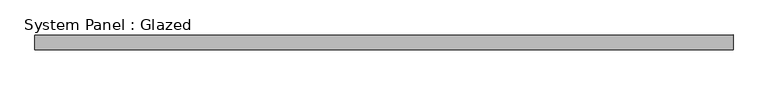
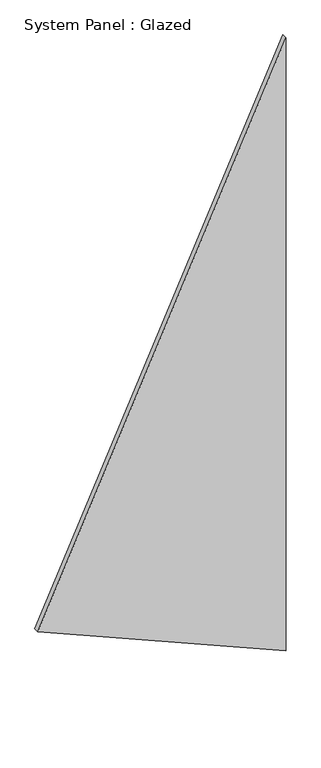
"""IFC4 building model written with IfcOpenShell, lengths in millimetres: plate geometry, System Panel : Glazed."""

from ifc_helpers import new_model, si_unit, frame, origin, place, context, project, spatial, polyline, outline, extrude, source, transform, mapped, element, save


def system_panel_glazed_ca5c7098(model_context):
    return source(origin(), model_context, "Body", "SweptSolid", [
        extrude(outline(polyline([(742.9406387, -861.0188159), (0.0, 861.0188159), (4490.9326811, 861.0188159), (742.9406387, -861.0188159)])), frame((0.0, -18.0, 0.0), z_axis=(0.0, 1.0, 0.0), x_axis=(0.0, 0.0, 1.0)), (0.0, 0.0, 1.0), 36.0),
    ])


if __name__ == "__main__":
    model = new_model("IFC4")
    model_context = context("Model", 3, world=origin())
    ifc_project = project(units=[si_unit("LENGTHUNIT", "METRE", prefix="MILLI")], contexts=[model_context])
    site = spatial("IfcSite", under=ifc_project)
    building = spatial("IfcBuilding", under=site)
    placement = place(None, origin())
    system_panel_glazed_shape = system_panel_glazed_ca5c7098(model_context)
    element("IfcPlate", 1, ObjectType="System Panel : Glazed", at=placement, inside=building, context=model_context, shape_type="MappedRepresentation", body=[
        mapped(system_panel_glazed_shape, transform((0.0, 0.0, 0.0), x_axis=(1.0, 0.0, 0.0), y_axis=(0.0, 1.0, 0.0), z_axis=(0.0, 0.0, 1.0))),
    ])
    save(model, "model.ifc")
